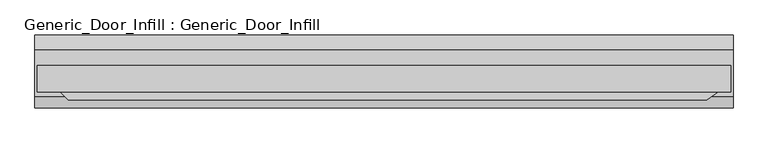
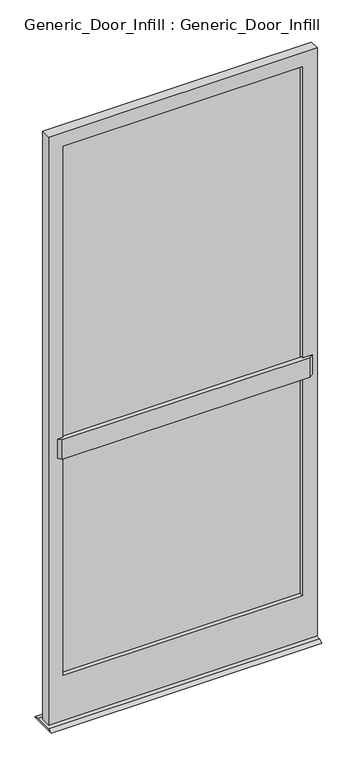
"""IFC4 building model written with IfcOpenShell, lengths in millimetres: plate geometry, Generic_Door_Infill : Generic_Door_Infill."""

from ifc_helpers import new_model, si_unit, frame, origin, place, context, project, spatial, polyline, outline, extrude, source, transform, mapped, element, save


def generic_door_infill_generic_door_infill_e52800e5(model_context):
    return source(origin(), model_context, "Body", "SweptSolid", [
        extrude(outline(polyline([(-471.5719478, -23.1230014), (-489.53246, -5.1624892), (507.6894421, -5.1624892), (482.0391724, -23.1230014), (-471.5719478, -23.1230014)])), frame((0.0, 0.0, 1090.3849987), z_axis=(0.0, 0.0, 1.0), x_axis=(1.0, 0.0, 0.0)), (0.0, 0.0, 1.0), 78.0150013),
        extrude(outline(polyline([(-460.95746, 11.3062662), (460.95746, 11.3062662), (460.95746, 4.9562662), (-460.95746, 4.9562662), (-460.95746, 11.3062662)])), frame((0.0, 0.0, 200.025), z_axis=(0.0, 0.0, 1.0), x_axis=(1.0, 0.0, 0.0)), (0.0, 0.0, 1.0), 2152.6499372),
        extrude(outline(polyline([(2409.8249372, 518.10746), (2409.8249372, -518.10746), (17.4625, -518.10746), (17.4625, 518.10746), (2409.8249372, 518.10746)]), holes=[polyline([(2352.6749372, 460.95746), (200.025, 460.95746), (200.025, -460.95746), (2352.6749372, -460.95746), (2352.6749372, 460.95746)])]), frame((0.0, -11.5124892, 0.0), z_axis=(0.0, 1.0, 0.0), x_axis=(0.0, 0.0, 1.0)), (0.0, 0.0, 1.0), 39.2875108),
        extrude(outline(polyline([(-17.8624892, 8.0508779), (51.9875108, 8.0508779), (74.107116, 0.0), (-35.1276525, 0.0), (-17.8624892, 8.0508779)])), frame((-521.28246, 0.0, 0.0), z_axis=(1.0, 0.0, 0.0), x_axis=(0.0, 1.0, 0.0)), (0.0, 0.0, 1.0), 1042.56492),
    ])


if __name__ == "__main__":
    model = new_model("IFC4")
    model_context = context("Model", 3, world=origin())
    ifc_project = project(units=[si_unit("LENGTHUNIT", "METRE", prefix="MILLI")], contexts=[model_context])
    site = spatial("IfcSite", under=ifc_project)
    building = spatial("IfcBuilding", under=site)
    placement = place(None, origin())
    generic_door_infill_generic_door_infill_shape = generic_door_infill_generic_door_infill_e52800e5(model_context)
    element("IfcPlate", 1, ObjectType="Generic_Door_Infill : Generic_Door_Infill", at=placement, inside=building, context=model_context, shape_type="MappedRepresentation", body=[
        mapped(generic_door_infill_generic_door_infill_shape, transform((0.0, 0.0, 0.0), x_axis=(1.0, 0.0, 0.0), y_axis=(0.0, 1.0, 0.0), z_axis=(0.0, 0.0, 1.0))),
    ])
    save(model, "model.ifc")
